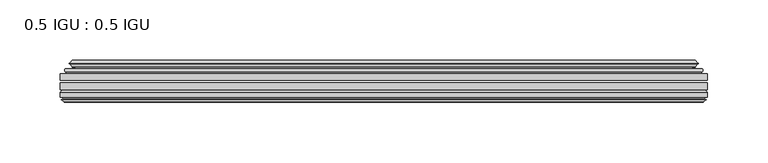
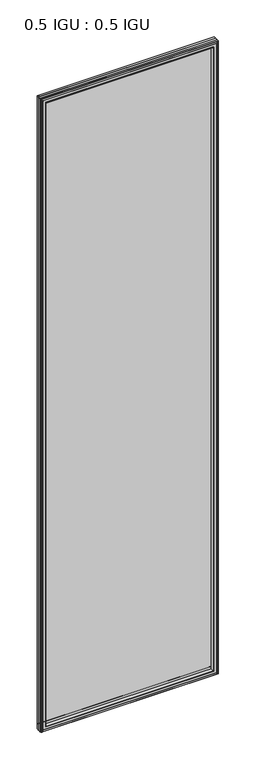
"""IFC4 building model written with IfcOpenShell, lengths in millimetres: plate geometry, 0.5 IGU : 0.5 IGU."""

from ifc_helpers import new_model, si_unit, frame, origin, place, context, project, spatial, polyline, ellipse_curve, outline, extrude, faceted_brep, source, transform, mapped, element, save
from ifc_brep_helpers import plane_surface, cylinder_surface, revolved_surface, advanced_brep


def plate_0_5_igu_0_5_igu_a52685f8(model_context):
    return source(origin(), model_context, "Body", "SolidModel", [
        extrude(outline(polyline([(268.2858, -55.82285), (268.2858, -61.48705), (-268.271625, -61.48705), (-268.271625, -55.82285), (268.2858, -55.82285)])), frame((0.0, 0.0, -14.2875), z_axis=(0.0, 0.0, 1.0), x_axis=(1.0, 0.0, 0.0)), (0.0, 0.0, 1.0), 2025.6537979),
        extrude(outline(polyline([(-268.271625, -69.05625), (-268.271625, -63.39205), (268.2858, -63.39205), (268.2858, -69.05625), (-268.271625, -69.05625)])), frame((0.0, 0.0, -14.2875), z_axis=(0.0, 0.0, 1.0), x_axis=(1.0, 0.0, 0.0)), (0.0, 0.0, 1.0), 2025.6537979),
        advanced_brep(
        [(-264.1690876, -54.3724927, 2007.2599626), (-263.1245628, -51.60645, 2006.2154378), (-263.1245628, -51.60645, -9.1404378), (-264.1690876, -54.3724927, -10.1849626), (-262.532642, -55.82285, 2005.623517), (-262.532642, -55.82285, -8.548517), (-253.984125, -45.63745, 1997.075), (-250.4014011, -55.82285, 1993.4922761), (-250.4014011, -55.82285, 3.5827239), (-253.984125, -45.63745, 0.0), (-259.1700359, -46.8185491, 2002.2609109), (-259.1700359, -46.8185491, -5.1859109), (-258.3730143, -44.8183085, 2001.4638893), (-258.3730143, -44.8183085, -4.3888893), (-260.6567361, -47.135817, 2003.7476111), (-260.6567361, -47.135817, -6.6726111), (-260.6567361, -47.8489429, 2003.7476111), (-260.6567361, -47.8489429, -6.6726111), (-258.3730143, -50.1664515, 2001.4638893), (-258.3730143, -50.1664515, -4.3888893), (-259.1623751, -48.1854367, 2002.2532501), (-259.1623751, -48.1854367, -5.1782501), (-256.6385629, -48.027045, 1999.7294379), (-256.6385629, -48.027045, -2.6544379), (-255.6127467, -48.7147544, 1998.7036217), (-255.6127467, -48.7147544, -1.6286217), (-255.7311538, -50.1092231, 1998.8220288), (-255.7311538, -50.1092231, -1.7470288), (-256.3328998, -51.60645, 1999.4237748), (-256.3328998, -51.60645, -2.3487748), (263.1245628, -51.60645, -9.1404378), (264.1690876, -54.3724927, -10.1849626), (262.532642, -55.82285, -8.548517), (250.4014011, -55.82285, 3.5827239), (253.984125, -45.63745, 0.0), (259.1700359, -46.8185491, -5.1859109), (258.3730143, -44.8183085, -4.3888893), (260.6567361, -47.135817, -6.6726111), (260.6567361, -47.8489429, -6.6726111), (258.3730143, -50.1664515, -4.3888893), (259.1623751, -48.1854367, -5.1782501), (256.6385629, -48.027045, -2.6544379), (255.6127467, -48.7147544, -1.6286217), (255.7311538, -50.1092231, -1.7470288), (256.3328998, -51.60645, -2.3487748), (263.1245628, -51.60645, 2006.2154378), (264.1690876, -54.3724927, 2007.2599626), (262.532642, -55.82285, 2005.623517), (250.4014011, -55.82285, 1993.4922761), (253.984125, -45.63745, 1997.075), (259.1700359, -46.8185491, 2002.2609109), (258.3730143, -44.8183085, 2001.4638893), (260.6567361, -47.135817, 2003.7476111), (260.6567361, -47.8489429, 2003.7476111), (258.3730143, -50.1664515, 2001.4638893), (259.1623751, -48.1854367, 2002.2532501), (256.6385629, -48.027045, 1999.7294379), (255.6127467, -48.7147544, 1998.7036217), (255.7311538, -50.1092231, 1998.8220288), (256.3328998, -51.60645, 1999.4237748)],
        [
            (0, 1, ellipse_curve(frame((-263.1161953, -53.1898501, 2006.2070703), z_axis=(-0.7071067811865475, 0.0, -0.7071067811865475), x_axis=(-0.7071067811865474, 0.0, 0.7071067811865476)), 2.2392971, 1.5834222)),
            (1, 2),
            (2, 3, ellipse_curve(frame((-263.1161953, -53.1898501, -9.1320703), z_axis=(-0.7071067811865475, 0.0, 0.7071067811865475), x_axis=(0.7071067811865474, 0.0, 0.7071067811865476)), 2.2392971, 1.5834222)),
            (3, 0),
            (4, 0),
            (3, 5),
            (5, 4),
            (6, 7, ellipse_curve(frame((-221.704371, -40.0058297, 1964.795246), z_axis=(0.7071067811865475, 0.0, 0.7071067811865475), x_axis=(0.7071067811865474, 0.0, -0.7071067811865476)), 46.3399971, 32.7673262)),
            (7, 8),
            (8, 9, ellipse_curve(frame((-221.704371, -40.0058297, 32.279754), z_axis=(0.7071067811865475, 0.0, -0.7071067811865475), x_axis=(-0.7071067811865474, 0.0, -0.7071067811865476)), 46.3399971, 32.7673262)),
            (9, 6),
            (10, 6),
            (9, 11),
            (11, 10),
            (12, 10),
            (11, 13),
            (13, 12),
            (14, 12),
            (13, 15),
            (15, 14),
            (16, 14, ellipse_curve(frame((-260.2948979, -47.49238, 2003.3857729), z_axis=(-0.7071067811865475, 0.0, -0.7071067811865475), x_axis=(-0.7071067811865474, 0.0, 0.7071067811865476)), 0.7184205, 0.508)),
            (15, 17, ellipse_curve(frame((-260.2948979, -47.49238, -6.3107729), z_axis=(-0.7071067811865475, 0.0, 0.7071067811865475), x_axis=(0.7071067811865474, 0.0, 0.7071067811865476)), 0.7184205, 0.508)),
            (17, 16),
            (18, 16),
            (17, 19),
            (19, 18),
            (20, 18),
            (19, 21),
            (21, 20),
            (22, 20),
            (21, 23),
            (23, 22),
            (24, 22, ellipse_curve(frame((-256.574925, -49.04105, 1999.6658), z_axis=(0.7071067811865475, 0.0, 0.7071067811865475), x_axis=(0.7071067811865474, 0.0, -0.7071067811865476)), 1.436841, 1.016)),
            (23, 25, ellipse_curve(frame((-256.574925, -49.04105, -2.5908), z_axis=(0.7071067811865475, 0.0, -0.7071067811865475), x_axis=(-0.7071067811865474, 0.0, -0.7071067811865476)), 1.436841, 1.016)),
            (25, 24),
            (26, 24, ellipse_curve(frame((-257.946525, -49.21885, 2001.0374), z_axis=(0.7071067811865475, 0.0, 0.7071067811865475), x_axis=(0.7071067811865474, 0.0, -0.7071067811865476)), 3.3765763, 2.3876)),
            (25, 27, ellipse_curve(frame((-257.946525, -49.21885, -3.9624), z_axis=(0.7071067811865475, 0.0, -0.7071067811865475), x_axis=(-0.7071067811865474, 0.0, -0.7071067811865476)), 3.3765763, 2.3876)),
            (27, 26),
            (28, 26),
            (27, 29),
            (29, 28),
            (2, 30),
            (30, 31, ellipse_curve(frame((263.1161953, -53.1898501, -9.1320703), z_axis=(-0.7071067811865475, 0.0, -0.7071067811865475), x_axis=(-0.7071067811865476, 0.0, 0.7071067811865474)), 2.2392971, 1.5834222)),
            (31, 3),
            (31, 32),
            (32, 5),
            (8, 33),
            (33, 34, ellipse_curve(frame((221.704371, -40.0058297, 32.279754), z_axis=(0.7071067811865475, 0.0, 0.7071067811865475), x_axis=(0.7071067811865476, 0.0, -0.7071067811865474)), 46.3399971, 32.7673262)),
            (34, 9),
            (34, 35),
            (35, 11),
            (35, 36),
            (36, 13),
            (36, 37),
            (37, 15),
            (37, 38, ellipse_curve(frame((260.2948979, -47.49238, -6.3107729), z_axis=(-0.7071067811865475, 0.0, -0.7071067811865475), x_axis=(-0.7071067811865476, 0.0, 0.7071067811865474)), 0.7184205, 0.508)),
            (38, 17),
            (38, 39),
            (39, 19),
            (39, 40),
            (40, 21),
            (40, 41),
            (41, 23),
            (41, 42, ellipse_curve(frame((256.574925, -49.04105, -2.5908), z_axis=(0.7071067811865475, 0.0, 0.7071067811865475), x_axis=(0.7071067811865476, 0.0, -0.7071067811865474)), 1.436841, 1.016)),
            (42, 25),
            (42, 43, ellipse_curve(frame((257.946525, -49.21885, -3.9624), z_axis=(0.7071067811865475, 0.0, 0.7071067811865475), x_axis=(0.7071067811865476, 0.0, -0.7071067811865474)), 3.3765763, 2.3876)),
            (43, 27),
            (43, 44),
            (44, 29),
            (30, 45),
            (45, 46, ellipse_curve(frame((263.1161953, -53.1898501, 2006.2070703), z_axis=(0.7071067811865475, 0.0, -0.7071067811865475), x_axis=(-0.7071067811865474, 0.0, -0.7071067811865476)), 2.2392971, 1.5834222)),
            (46, 31),
            (46, 47),
            (47, 32),
            (33, 48),
            (48, 49, ellipse_curve(frame((221.704371, -40.0058297, 1964.795246), z_axis=(-0.7071067811865475, 0.0, 0.7071067811865475), x_axis=(0.7071067811865474, 0.0, 0.7071067811865476)), 46.3399971, 32.7673262)),
            (49, 34),
            (49, 50),
            (50, 35),
            (50, 51),
            (51, 36),
            (51, 52),
            (52, 37),
            (52, 53, ellipse_curve(frame((260.2948979, -47.49238, 2003.3857729), z_axis=(0.7071067811865475, 0.0, -0.7071067811865475), x_axis=(-0.7071067811865474, 0.0, -0.7071067811865476)), 0.7184205, 0.508)),
            (53, 38),
            (53, 54),
            (54, 39),
            (54, 55),
            (55, 40),
            (55, 56),
            (56, 41),
            (56, 57, ellipse_curve(frame((256.574925, -49.04105, 1999.6658), z_axis=(-0.7071067811865475, 0.0, 0.7071067811865475), x_axis=(0.7071067811865474, 0.0, 0.7071067811865476)), 1.436841, 1.016)),
            (57, 42),
            (57, 58, ellipse_curve(frame((257.946525, -49.21885, 2001.0374), z_axis=(-0.7071067811865475, 0.0, 0.7071067811865475), x_axis=(0.7071067811865474, 0.0, 0.7071067811865476)), 3.3765763, 2.3876)),
            (58, 43),
            (58, 59),
            (59, 44),
            (45, 1),
            (0, 46),
            (4, 47),
            (7, 48),
            (6, 49),
            (10, 50),
            (12, 51),
            (14, 52),
            (16, 53),
            (18, 54),
            (20, 55),
            (22, 56),
            (24, 57),
            (26, 58),
            (28, 59),
        ],
        [
            cylinder_surface(frame((-263.1161953, -53.1898501, 2028.825), z_axis=(0.0, 0.0, 1.0), x_axis=(-1.0, 0.0, 0.0)), 1.5834222),
            plane_surface(frame((-264.1690876, -54.3724927, 2007.2599626), z_axis=(-0.6632745773184306, -0.7483761320907135, 0.0), x_axis=(0.0, 0.0, -1.0))),
            revolved_surface(polyline([(-254.4716972, -40.0058297, -0.48757218957507575), (-254.4716972, -40.0058297, 1997.562572189575)]), (-221.704371, -40.0058297, 2028.825), (0.0, 0.0, -1.0)),
            plane_surface(frame((-253.984125, -45.63745, 1997.075), z_axis=(-0.2220649844278743, 0.975031867525902, 0.0), x_axis=(0.0, 0.0, -1.0))),
            plane_surface(frame((-259.1700359, -46.8185491, 2002.2609109), z_axis=(0.928968268563027, -0.37015936568323066, 0.0), x_axis=(0.0, 0.0, -1.0))),
            plane_surface(frame((-258.3730143, -44.8183085, 2001.4638893), z_axis=(-0.7122798501733482, 0.7018955869907096, 0.0), x_axis=(0.0, 0.0, -1.0))),
            cylinder_surface(frame((-260.2948979, -47.49238, 2028.825), z_axis=(0.0, 0.0, 1.0), x_axis=(-1.0, 0.0, 0.0)), 0.508),
            plane_surface(frame((-260.6567361, -47.8489429, 2003.7476111), z_axis=(-0.7122798501732925, -0.701895586990766, 0.0), x_axis=(0.0, 0.0, -1.0))),
            plane_surface(frame((-258.3730143, -50.1664515, 2001.4638893), z_axis=(0.9289682685628707, 0.3701593656836228, 0.0), x_axis=(0.0, 0.0, -1.0))),
            plane_surface(frame((-259.1623751, -48.1854367, 2002.2532501), z_axis=(0.0626357011928498, -0.9980364567169279, 0.0), x_axis=(0.0, 0.0, -1.0))),
            revolved_surface(polyline([(-257.590925, -49.04105, -3.6068000145867245), (-257.590925, -49.04105, 2000.6818000145868)]), (-256.574925, -49.04105, 2028.825), (0.0, 0.0, -1.0)),
            revolved_surface(polyline([(-260.33412500000003, -49.21885, -6.3499999989237494), (-260.33412500000003, -49.21885, 2003.4249999989238)]), (-257.946525, -49.21885, 2028.825), (0.0, 0.0, -1.0)),
            plane_surface(frame((-255.7311538, -50.1092231, 1998.8220288), z_axis=(-0.9278652925428184, 0.3729155385532094, 0.0), x_axis=(0.0, 0.0, -1.0))),
            cylinder_surface(frame((-285.734125, -53.1898501, -9.1320703), z_axis=(-1.0, 0.0, 0.0), x_axis=(0.0, 0.0, -1.0)), 1.5834222),
            plane_surface(frame((-264.1690876, -54.3724927, -10.1849626), z_axis=(0.0, -0.7483761320907157, -0.6632745773184283), x_axis=(1.0, 0.0, 0.0))),
            revolved_surface(polyline([(254.47169718957497, -40.0058297, -0.48757220000000245), (-254.47169718957494, -40.0058297, -0.48757220000000245)]), (-285.734125, -40.0058297, 32.279754), (1.0, 0.0, 0.0)),
            plane_surface(frame((-253.984125, -45.63745, 0.0), z_axis=(0.0, 0.9750318675259013, -0.22206498442787745), x_axis=(1.0, 0.0, 0.0))),
            plane_surface(frame((-259.1700359, -46.8185491, -5.1859109), z_axis=(0.0, -0.37015936568322766, 0.9289682685630283), x_axis=(1.0, 0.0, 0.0))),
            plane_surface(frame((-258.3730143, -44.8183085, -4.3888893), z_axis=(0.0, 0.7018955869907073, -0.7122798501733504), x_axis=(1.0, 0.0, 0.0))),
            cylinder_surface(frame((-285.734125, -47.49238, -6.3107729), z_axis=(-1.0, 0.0, 0.0), x_axis=(0.0, 0.0, -1.0)), 0.508),
            plane_surface(frame((-260.6567361, -47.8489429, -6.6726111), z_axis=(0.0, -0.7018955869907684, -0.7122798501732903), x_axis=(1.0, 0.0, 0.0))),
            plane_surface(frame((-258.3730143, -50.1664515, -4.3888893), z_axis=(0.0, 0.37015936568362584, 0.9289682685628696), x_axis=(1.0, 0.0, 0.0))),
            plane_surface(frame((-259.1623751, -48.1854367, -5.1782501), z_axis=(0.0, -0.9980364567169276, 0.06263570119285301), x_axis=(1.0, 0.0, 0.0))),
            revolved_surface(polyline([(257.59092501458696, -49.04105, -3.6068000000000002), (-257.59092501458684, -49.04105, -3.6068000000000002)]), (-285.734125, -49.04105, -2.5908), (1.0, 0.0, 0.0)),
            revolved_surface(polyline([(260.33412499892376, -49.21885, -6.35), (-260.3341249989238, -49.21885, -6.35)]), (-285.734125, -49.21885, -3.9624), (1.0, 0.0, 0.0)),
            plane_surface(frame((-255.7311538, -50.1092231, -1.7470288), z_axis=(0.0, 0.3729155385532064, -0.9278652925428196), x_axis=(1.0, 0.0, 0.0))),
            cylinder_surface(frame((263.1161953, -53.1898501, -31.75), z_axis=(0.0, 0.0, -1.0), x_axis=(1.0, 0.0, 0.0)), 1.5834222),
            plane_surface(frame((264.1690876, -54.3724927, -10.1849626), z_axis=(0.6632745773184259, -0.7483761320907178, 0.0), x_axis=(0.0, 0.0, 1.0))),
            revolved_surface(polyline([(254.4716972, -40.0058297, 1997.562572189575), (254.4716972, -40.0058297, -0.48757218957494075)]), (221.704371, -40.0058297, -31.75), (0.0, 0.0, 1.0)),
            plane_surface(frame((253.984125, -45.63745, 0.0), z_axis=(0.22206498442788056, 0.9750318675259005, 0.0), x_axis=(0.0, 0.0, 1.0))),
            plane_surface(frame((259.1700359, -46.8185491, -5.1859109), z_axis=(-0.9289682685630295, -0.37015936568322466, 0.0), x_axis=(0.0, 0.0, 1.0))),
            plane_surface(frame((258.3730143, -44.8183085, -4.3888893), z_axis=(0.7122798501733526, 0.701895586990705, 0.0), x_axis=(0.0, 0.0, 1.0))),
            cylinder_surface(frame((260.2948979, -47.49238, -31.75), z_axis=(0.0, 0.0, -1.0), x_axis=(1.0, 0.0, 0.0)), 0.508),
            plane_surface(frame((260.6567361, -47.8489429, -6.6726111), z_axis=(0.712279850173288, -0.7018955869907706, 0.0), x_axis=(0.0, 0.0, 1.0))),
            plane_surface(frame((258.3730143, -50.1664515, -4.3888893), z_axis=(-0.9289682685628684, 0.37015936568362884, 0.0), x_axis=(0.0, 0.0, 1.0))),
            plane_surface(frame((259.1623751, -48.1854367, -5.1782501), z_axis=(-0.06263570119285623, -0.9980364567169274, 0.0), x_axis=(0.0, 0.0, 1.0))),
            revolved_surface(polyline([(257.590925, -49.04105, 2000.6818000145868), (257.590925, -49.04105, -3.606800014586863)]), (256.574925, -49.04105, -31.75), (0.0, 0.0, 1.0)),
            revolved_surface(polyline([(260.33412500000003, -49.21885, 2003.4249999989238), (260.33412500000003, -49.21885, -6.349999998923781)]), (257.946525, -49.21885, -31.75), (0.0, 0.0, 1.0)),
            plane_surface(frame((255.7311538, -50.1092231, -1.7470288), z_axis=(0.9278652925428208, 0.3729155385532034, 0.0), x_axis=(0.0, 0.0, 1.0))),
            cylinder_surface(frame((285.734125, -53.1898501, 2006.2070703), z_axis=(1.0, 0.0, 0.0), x_axis=(0.0, 0.0, 1.0)), 1.5834222),
            plane_surface(frame((264.1690876, -54.3724927, 2007.2599626), z_axis=(0.0, -0.7483761320907157, 0.6632745773184283), x_axis=(-1.0, 0.0, 0.0))),
            plane_surface(frame((262.532642, -55.82285, 2005.623517), z_axis=(0.0, -1.0, 0.0), x_axis=(-1.0, 0.0, 0.0))),
            revolved_surface(polyline([(-254.47169718957497, -40.0058297, 1997.5625722), (254.47169718957494, -40.0058297, 1997.5625722)]), (285.734125, -40.0058297, 1964.795246), (-1.0, 0.0, 0.0)),
            plane_surface(frame((253.984125, -45.63745, 1997.075), z_axis=(0.0, 0.9750318675259012, 0.22206498442787742), x_axis=(-1.0, 0.0, 0.0))),
            plane_surface(frame((259.1700359, -46.8185491, 2002.2609109), z_axis=(0.0, -0.37015936568322766, -0.9289682685630283), x_axis=(-1.0, 0.0, 0.0))),
            plane_surface(frame((258.3730143, -44.8183085, 2001.4638893), z_axis=(0.0, 0.7018955869907073, 0.7122798501733504), x_axis=(-1.0, 0.0, 0.0))),
            cylinder_surface(frame((285.734125, -47.49238, 2003.3857729), z_axis=(1.0, 0.0, 0.0), x_axis=(0.0, 0.0, 1.0)), 0.508),
            plane_surface(frame((260.6567361, -47.8489429, 2003.7476111), z_axis=(0.0, -0.7018955869907684, 0.7122798501732903), x_axis=(-1.0, 0.0, 0.0))),
            plane_surface(frame((258.3730143, -50.1664515, 2001.4638893), z_axis=(0.0, 0.37015936568362584, -0.9289682685628696), x_axis=(-1.0, 0.0, 0.0))),
            plane_surface(frame((259.1623751, -48.1854367, 2002.2532501), z_axis=(0.0, -0.9980364567169276, -0.06263570119285301), x_axis=(-1.0, 0.0, 0.0))),
            revolved_surface(polyline([(-257.59092501458696, -49.04105, 2000.6818), (257.59092501458684, -49.04105, 2000.6818)]), (285.734125, -49.04105, 1999.6658), (-1.0, 0.0, 0.0)),
            revolved_surface(polyline([(-260.33412499892376, -49.21885, 2003.425), (260.3341249989238, -49.21885, 2003.425)]), (285.734125, -49.21885, 2001.0374), (-1.0, 0.0, 0.0)),
            plane_surface(frame((255.7311538, -50.1092231, 1998.8220288), z_axis=(0.0, 0.3729155385532064, 0.9278652925428196), x_axis=(-1.0, 0.0, 0.0))),
            plane_surface(frame((256.3328998, -51.60645, 1999.4237748), z_axis=(0.0, 1.0, 0.0), x_axis=(-1.0, 0.0, 0.0))),
        ],
        [
            (0, [[1, 2, 3, 4]]),
            (1, [[5, -4, 6, 7]]),
            (2, [[8, 9, 10, 11]]),
            (3, [[12, -11, 13, 14]]),
            (4, [[15, -14, 16, 17]]),
            (5, [[18, -17, 19, 20]]),
            (6, [[21, -20, 22, 23]]),
            (7, [[24, -23, 25, 26]]),
            (8, [[27, -26, 28, 29]]),
            (9, [[30, -29, 31, 32]]),
            (10, [[33, -32, 34, 35]]),
            (11, [[36, -35, 37, 38]]),
            (12, [[39, -38, 40, 41]]),
            (13, [[-3, 42, 43, 44]]),
            (14, [[-6, -44, 45, 46]]),
            (15, [[-10, 47, 48, 49]]),
            (16, [[-13, -49, 50, 51]]),
            (17, [[-16, -51, 52, 53]]),
            (18, [[-19, -53, 54, 55]]),
            (19, [[-22, -55, 56, 57]]),
            (20, [[-25, -57, 58, 59]]),
            (21, [[-28, -59, 60, 61]]),
            (22, [[-31, -61, 62, 63]]),
            (23, [[-34, -63, 64, 65]]),
            (24, [[-37, -65, 66, 67]]),
            (25, [[-40, -67, 68, 69]]),
            (26, [[-43, 70, 71, 72]]),
            (27, [[-45, -72, 73, 74]]),
            (28, [[-48, 75, 76, 77]]),
            (29, [[-50, -77, 78, 79]]),
            (30, [[-52, -79, 80, 81]]),
            (31, [[-54, -81, 82, 83]]),
            (32, [[-56, -83, 84, 85]]),
            (33, [[-58, -85, 86, 87]]),
            (34, [[-60, -87, 88, 89]]),
            (35, [[-62, -89, 90, 91]]),
            (36, [[-64, -91, 92, 93]]),
            (37, [[-66, -93, 94, 95]]),
            (38, [[-68, -95, 96, 97]]),
            (39, [[-71, 98, -1, 99]]),
            (40, [[-73, -99, -5, 100]]),
            (41, [[-46, -74, -100, -7], [101, -75, -47, -9]]),
            (42, [[-76, -101, -8, 102]]),
            (43, [[-78, -102, -12, 103]]),
            (44, [[-80, -103, -15, 104]]),
            (45, [[-82, -104, -18, 105]]),
            (46, [[-84, -105, -21, 106]]),
            (47, [[-86, -106, -24, 107]]),
            (48, [[-88, -107, -27, 108]]),
            (49, [[-90, -108, -30, 109]]),
            (50, [[-92, -109, -33, 110]]),
            (51, [[-94, -110, -36, 111]]),
            (52, [[-96, -111, -39, 112]]),
            (53, [[-98, -70, -42, -2], [-69, -97, -112, -41]]),
        ],
    ),
        faceted_brep([(-250.1299077, -69.05625, 1993.2207827), (-252.6962048, -77.94625, 1995.7870798), (-252.6962048, -77.94625, 1.2879202), (-250.1299077, -69.05625, 3.8542173), (-268.284325, -71.2633102, 2011.3752), (-266.0772648, -69.05625, 2009.1681398), (-266.0772648, -69.05625, -12.0931398), (-268.284325, -71.2633102, -14.3002), (-268.284325, -75.40625, 2011.3752), (-268.284325, -75.40625, -14.3002), (-265.8653025, -76.58989, 2008.9561775), (-266.734925, -75.40625, 2009.8258), (-266.734925, -75.40625, -12.7508), (-265.8653025, -76.58989, -11.8811775), (-265.668125, -77.8875884, 2008.759), (-265.668125, -77.8875884, -11.684), (-266.643785, -77.3578917, 2009.73466), (-266.643785, -77.3578917, -12.65966), (-265.109325, -79.1749663, 2008.2002), (-267.4364555, -77.3578917, 2010.5273305), (-267.4364555, -77.3578917, -13.4523305), (-265.109325, -79.1749663, -11.1252), (-262.7821945, -77.3578917, 2005.8730695), (-262.7821945, -77.3578917, -8.7980695), (-264.550525, -77.8875884, 2007.6414), (-263.574865, -77.3578917, 2006.66574), (-263.574865, -77.3578917, -9.59074), (-264.550525, -77.8875884, -10.5664), (-264.3533475, -76.58989, 2007.4442225), (-264.3533475, -76.58989, -10.3692225), (-263.483725, -75.40625, 2006.5746), (-263.483725, -75.40625, -9.4996), (-254.3354917, -77.94625, 1997.4263667), (-253.806325, -75.40625, 1996.8972), (-253.806325, -75.40625, 0.1778), (-254.3354917, -77.94625, -0.3513667), (252.6962048, -77.94625, 1.2879202), (250.1299077, -69.05625, 3.8542173), (266.0772648, -69.05625, -12.0931398), (268.284325, -71.2633102, -14.3002), (268.284325, -75.40625, -14.3002), (266.734925, -75.40625, -12.7508), (265.8653025, -76.58989, -11.8811775), (265.668125, -77.8875884, -11.684), (266.643785, -77.3578917, -12.65966), (267.4364555, -77.3578917, -13.4523305), (265.109325, -79.1749663, -11.1252), (262.7821945, -77.3578917, -8.7980695), (263.574865, -77.3578917, -9.59074), (264.550525, -77.8875884, -10.5664), (264.3533475, -76.58989, -10.3692225), (263.483725, -75.40625, -9.4996), (253.806325, -75.40625, 0.1778), (254.3354917, -77.94625, -0.3513667), (252.6962048, -77.94625, 1995.7870798), (250.1299077, -69.05625, 1993.2207827), (266.0772648, -69.05625, 2009.1681398), (268.284325, -71.2633102, 2011.3752), (268.284325, -75.40625, 2011.3752), (266.734925, -75.40625, 2009.8258), (265.8653025, -76.58989, 2008.9561775), (265.668125, -77.8875884, 2008.759), (266.643785, -77.3578917, 2009.73466), (267.4364555, -77.3578917, 2010.5273305), (265.109325, -79.1749663, 2008.2002), (262.7821945, -77.3578917, 2005.8730695), (263.574865, -77.3578917, 2006.66574), (264.550525, -77.8875884, 2007.6414), (264.3533475, -76.58989, 2007.4442225), (263.483725, -75.40625, 2006.5746), (253.806325, -75.40625, 1996.8972), (254.3354917, -77.94625, 1997.4263667)], [[[0, 1, 2, 3]], [[4, 5, 6, 7]], [[8, 4, 7, 9]], [[10, 11, 12, 13]], [[14, 10, 13, 15]], [[16, 14, 15, 17]], [[18, 19, 20, 21]], [[22, 18, 21, 23]], [[24, 25, 26, 27]], [[28, 24, 27, 29]], [[30, 28, 29, 31]], [[32, 33, 34, 35]], [[3, 2, 36, 37]], [[7, 6, 38, 39]], [[9, 7, 39, 40]], [[13, 12, 41, 42]], [[15, 13, 42, 43]], [[17, 15, 43, 44]], [[21, 20, 45, 46]], [[23, 21, 46, 47]], [[27, 26, 48, 49]], [[29, 27, 49, 50]], [[31, 29, 50, 51]], [[35, 34, 52, 53]], [[37, 36, 54, 55]], [[39, 38, 56, 57]], [[40, 39, 57, 58]], [[42, 41, 59, 60]], [[43, 42, 60, 61]], [[44, 43, 61, 62]], [[46, 45, 63, 64]], [[47, 46, 64, 65]], [[49, 48, 66, 67]], [[50, 49, 67, 68]], [[51, 50, 68, 69]], [[53, 52, 70, 71]], [[55, 54, 1, 0]], [[5, 56, 38, 6], [3, 37, 55, 0]], [[57, 56, 5, 4]], [[58, 57, 4, 8]], [[9, 40, 58, 8], [11, 59, 41, 12]], [[60, 59, 11, 10]], [[61, 60, 10, 14]], [[62, 61, 14, 16]], [[19, 63, 45, 20], [17, 44, 62, 16]], [[64, 63, 19, 18]], [[65, 64, 18, 22]], [[25, 66, 48, 26], [23, 47, 65, 22]], [[67, 66, 25, 24]], [[68, 67, 24, 28]], [[69, 68, 28, 30]], [[31, 51, 69, 30], [33, 70, 52, 34]], [[71, 70, 33, 32]], [[35, 53, 71, 32], [1, 54, 36, 2]]]),
    ])


if __name__ == "__main__":
    model = new_model("IFC4")
    model_context = context("Model", 3, world=origin())
    ifc_project = project(units=[si_unit("LENGTHUNIT", "METRE", prefix="MILLI")], contexts=[model_context])
    site = spatial("IfcSite", under=ifc_project)
    building = spatial("IfcBuilding", under=site)
    placement = place(None, origin())
    plate_0_5_igu_0_5_igu_shape = plate_0_5_igu_0_5_igu_a52685f8(model_context)
    element("IfcPlate", 1, ObjectType="0.5 IGU : 0.5 IGU", at=placement, inside=building, context=model_context, shape_type="MappedRepresentation", body=[
        mapped(plate_0_5_igu_0_5_igu_shape, transform((0.0, 0.0, 0.0), x_axis=(1.0, 0.0, 0.0), y_axis=(0.0, 1.0, 0.0), z_axis=(0.0, 0.0, 1.0))),
    ])
    save(model, "model.ifc")
